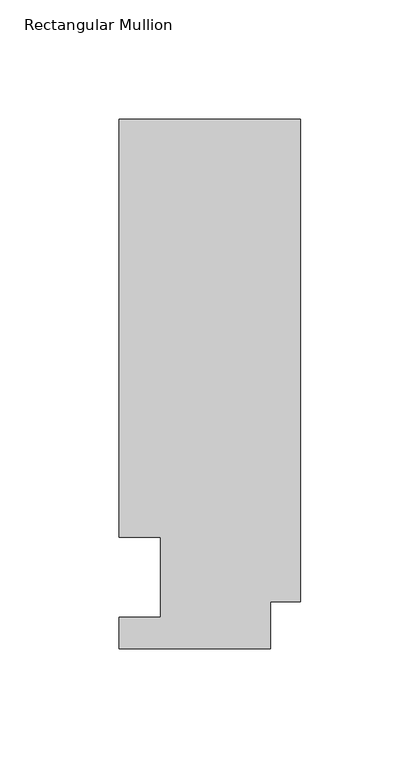
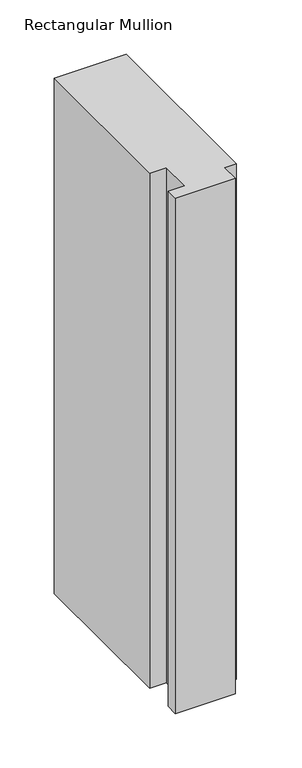
"""IFC4 building model written with IfcOpenShell, lengths in millimetres: member geometry, Rectangular Mullion."""

from ifc_helpers import new_model, si_unit, frame, origin, place, context, project, spatial, polyline, outline, extrude, source, transform, mapped, element, save


def rectangular_mullion_2c650076(model_context):
    return source(origin(), model_context, "Body", "SweptSolid", [
        extrude(outline(polyline([(-76.2000001, 222.0301312), (0.0, 222.0301312), (0.0, 19.574358), (-12.7, 19.574358), (-12.7, 0.041758), (-76.2, 0.041758), (-76.2, 13.224358), (-58.7676635, 13.224358), (-58.7676635, 46.7447302), (-76.2000001, 46.7447302), (-76.2000001, 222.0301312)])), frame((0.0, 0.0, -577.8499998), z_axis=(0.0, 0.0, 1.0), x_axis=(1.0, 0.0, 0.0)), (0.0, 0.0, 1.0), 577.8499998),
    ])


if __name__ == "__main__":
    model = new_model("IFC4")
    model_context = context("Model", 3, world=origin())
    ifc_project = project(units=[si_unit("LENGTHUNIT", "METRE", prefix="MILLI")], contexts=[model_context])
    site = spatial("IfcSite", under=ifc_project)
    building = spatial("IfcBuilding", under=site)
    placement = place(None, origin())
    rectangular_mullion_shape = rectangular_mullion_2c650076(model_context)
    element("IfcMember", 1, ObjectType="Rectangular Mullion", at=placement, inside=building, context=model_context, shape_type="MappedRepresentation", body=[
        mapped(rectangular_mullion_shape, transform((0.0, 0.0, 0.0), x_axis=(1.0, 0.0, 0.0), y_axis=(0.0, 1.0, 0.0), z_axis=(0.0, 0.0, 1.0))),
    ])
    save(model, "model.ifc")
